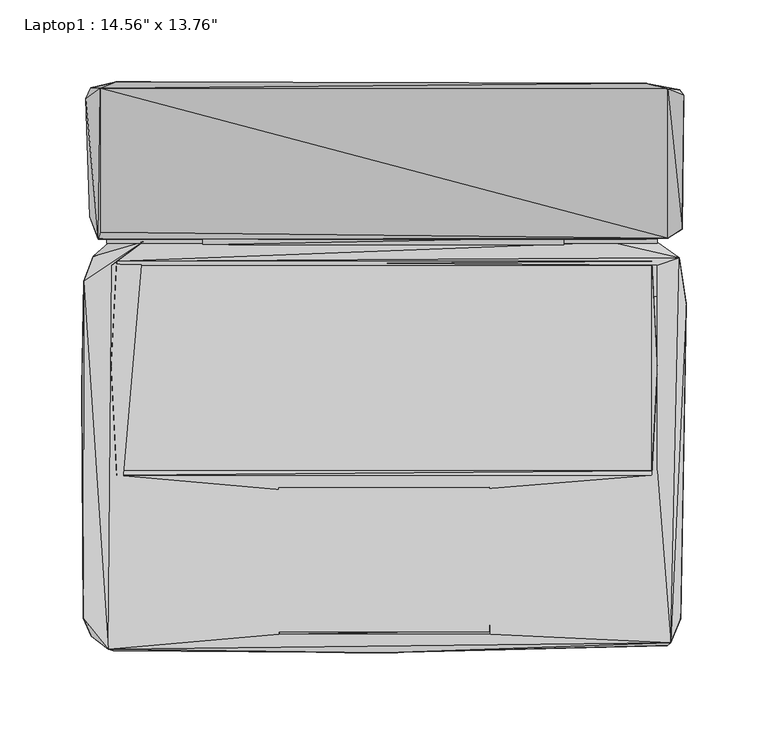
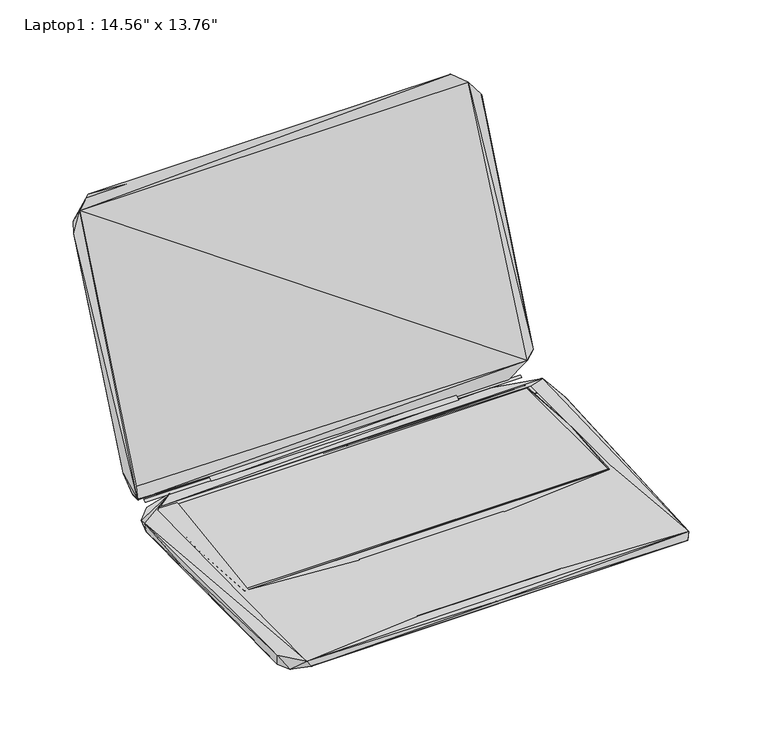
"""IFC4 building model written with IfcOpenShell, lengths in millimetres: furniture geometry."""

from ifc_helpers import new_model, si_unit, origin, place, context, project, spatial, triangles, source, transform, mapped, element, save


def furniture_7ce7f73c(model_context):
    return source(origin(), model_context, "Body", "Tessellation", [
        triangles([(-110.8122042, 74.6278031, 10.6596248), (109.6013497, 74.6277849, 10.6596248), (109.7013436, 79.0277889, 13.559625), (-110.8122042, 79.1278009, 13.559625), (-177.7495246, 67.5618191, 1.9875597), (-147.0630892, 76.4618209, 11.2875593), (-168.0495353, 76.0618226, 5.7875595), (179.8283403, 64.0618056, 1.3875597), (-175.7495195, 83.7618204, 15.6875588), (179.7283464, 88.3618031, 24.887557), (153.6283407, 77.6618021, 9.9875603), (-174.5495201, 78.161817, 13.8875596), (-173.4495327, 82.361815, 23.5875592), (-173.4495146, 170.083768, 230.6309262), (173.2283617, 78.5618017, 23.5875592), (-182.3494982, 163.7837528, 215.930915), (-169.4495225, 75.7618227, 11.0875602), (166.7283405, 75.7618091, 11.0875602), (-169.4495225, 78.161817, 12.3875592), (166.7283405, 78.1618079, 12.3875592), (138.5419251, 76.3618088, 10.7875592), (166.8283526, 76.2618058, 5.8875596), (-166.3495301, 62.0618277, 11.38756), (-163.1495255, 64.7618174, 11.38756), (-163.1495255, 62.1618307, 10.6875596), (163.4283603, 64.7618037, 11.38756), (166.7283405, 62.161808, 11.4875596), (180.1283584, 66.7618088, 11.1875598), (163.4283603, 62.161808, 10.6875596), (181.8283454, 84.2618081, 27.087559), (173.2283617, 169.9837378, 230.7309201), (183.028363, 165.9837276, 217.9309201), (180.4283582, 169.283726, 219.6309072), (-179.2495058, 170.3837497, 222.6309239), (-163.4495072, 174.08376, 240.2309216), (159.4283501, 173.283718, 240.9309152), (-183.6495461, -153.3039601, 10.6875596), (-182.5495405, -150.8039492, 0.2875598), (-178.8495483, -164.2039488, 2.0875598), (-168.3495352, -172.303945, 11.1875598), (-184.5495275, -12.9600999, 6.4875599), (-183.349528, 52.5508576, 10.0875599), (-180.9495292, 54.1508598, 0.2875598), (180.9283277, -153.703972, 0.3875598), (-165.1495306, -173.3039384, 5.9875598), (172.9283255, -170.0039763, 4.2875599), (-0.1173719, -174.3039682, 9.9875603), (-64.3902421, -163.2039735, 11.4875596), (-62.6902414, -74.8820299, 10.9875595), (174.8283367, -168.4039832, 11.2875593), (64.669045, -163.2039735, 11.4875596), (-166.5495179, -63.3820279, 11.4875596), (-162.9495378, -66.0820311, 11.4875596), (-64.3902421, -161.8039681, 11.0875602), (64.2690513, -161.7039561, 11.0875602), (64.0690453, -73.4820427, 11.0875602), (-64.490236, -73.5820321, 11.0875602), (-63.4902425, -159.803963, 10.9875595), (62.0690493, -161.1039564, 10.9875595), (62.1690523, -74.1820409, 10.9875595), (184.3283564, 38.55084, 8.7875592), (163.4283603, -66.0820447, 11.4875596), (166.7283405, -63.382046, 11.4875596), (182.5283391, 42.6508396, 0.1875598), (-163.1495255, -66.0820311, 11.38756), (163.4283603, -63.382046, 10.6875596), (-163.1495255, -63.3820279, 10.6875596), (-166.5495179, 0.5398976, 11.38756), (166.7283405, -1.7601219, 11.38756), (-179.8495236, 91.6618288, 32.1875588)], [[1, 2, 3], [1, 3, 4], [5, 6, 7], [5, 7, 8], [9, 10, 11], [9, 11, 12], [12, 13, 14], [12, 11, 15], [12, 15, 13], [12, 14, 16], [17, 18, 19], [19, 18, 20], [7, 6, 21], [7, 21, 22], [7, 22, 8], [23, 24, 6], [24, 25, 26], [24, 21, 6], [24, 27, 28], [24, 28, 21], [25, 29, 26], [21, 28, 22], [11, 30, 15], [11, 10, 30], [22, 28, 8], [15, 30, 31], [10, 32, 30], [10, 33, 32], [30, 32, 31], [16, 14, 34], [34, 35, 33], [34, 14, 35], [14, 36, 35], [14, 31, 36], [35, 36, 33], [36, 31, 33], [31, 32, 33], [37, 38, 39], [37, 39, 40], [37, 41, 38], [37, 42, 41], [37, 40, 42], [38, 41, 43], [38, 44, 39], [38, 43, 44], [39, 45, 40], [39, 46, 45], [39, 44, 46], [40, 23, 6], [40, 45, 47], [40, 48, 49], [40, 47, 50], [40, 51, 48], [40, 50, 51], [40, 52, 23], [40, 53, 52], [40, 49, 53], [40, 6, 42], [45, 46, 47], [54, 55, 56], [54, 56, 57], [48, 58, 49], [48, 59, 58], [48, 51, 59], [47, 46, 50], [51, 50, 60], [46, 44, 50], [50, 61, 28], [50, 44, 61], [50, 62, 60], [50, 63, 62], [50, 27, 63], [50, 28, 27], [44, 64, 61], [44, 43, 64], [65, 66, 67], [65, 62, 66], [65, 67, 68], [67, 25, 68], [53, 49, 60], [53, 60, 62], [66, 62, 69], [66, 69, 29], [41, 42, 43], [68, 25, 24], [69, 26, 29], [42, 5, 43], [42, 6, 5], [43, 5, 8], [43, 8, 64], [64, 8, 61], [61, 8, 28], [70, 9, 12], [70, 12, 16], [70, 10, 9], [70, 34, 33], [70, 33, 10], [70, 16, 34]], closed=False),
        triangles([(-163.1627515, -63.416101, 10.6379669), (163.3643744, -63.4161146, 10.6379669), (-163.1627515, 62.2339648, 10.6379669), (163.3643744, 62.233942, 10.6379669)], [[1, 2, 3], [2, 4, 3]], closed=False),
        triangles([(-173.4428471, 82.3395962, 23.5443364), (173.289786, 78.5395828, 23.5443364), (-173.4428471, 170.1375256, 230.6010043), (173.2898041, 169.9374833, 230.6010043)], [[1, 2, 3], [2, 4, 3]], closed=False),
    ])


if __name__ == "__main__":
    model = new_model("IFC4")
    model_context = context("Model", 3, world=origin())
    ifc_project = project(units=[si_unit("LENGTHUNIT", "METRE", prefix="MILLI")], contexts=[model_context])
    site = spatial("IfcSite", under=ifc_project)
    building = spatial("IfcBuilding", under=site)
    placement = place(None, origin())
    furniture_shape = furniture_7ce7f73c(model_context)
    element("IfcFurniture", 1, ObjectType="Laptop1 : 14.56\" x 13.76\"", at=placement, inside=building, context=model_context, shape_type="MappedRepresentation", body=[
        mapped(furniture_shape, transform((0.0, 0.0, 0.0), x_axis=(1.0, 0.0, 0.0), y_axis=(0.0, 1.0, 0.0), z_axis=(0.0, 0.0, 1.0))),
    ])
    save(model, "model.ifc")
